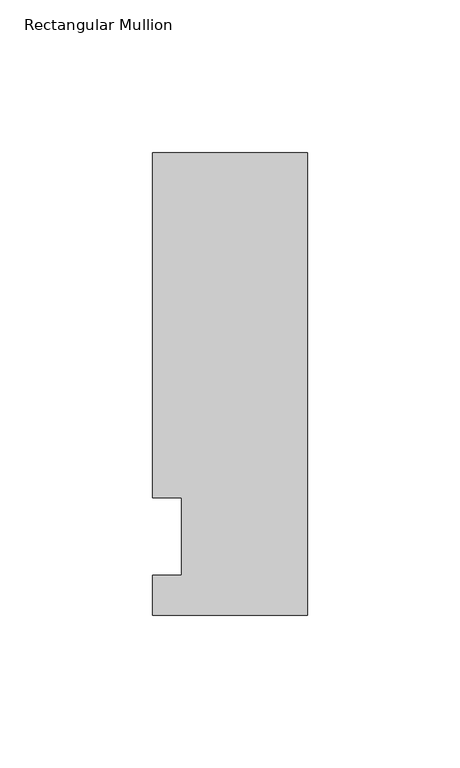
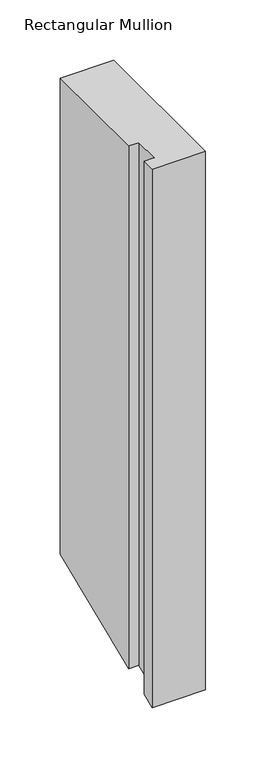
"""IFC4 building model written with IfcOpenShell, lengths in millimetres: member geometry, Rectangular Mullion."""

from ifc_helpers import new_model, si_unit, origin, place, context, project, spatial, faceted_brep, source, transform, mapped, element, save


def rectangular_mullion_c63f2144(model_context):
    return source(origin(), model_context, "Body", "Brep", [
        faceted_brep([(-50.8, -25.7961253, 0.0), (0.0, -25.7961253, 0.0), (0.0, 125.8036906, 0.0), (-50.8, 125.8036906, 0.0), (-50.8, 12.7, 0.0), (-41.275, 12.7, 0.0), (-41.275, -12.7, 0.0), (-50.8, -12.7, 0.0), (-50.8, -25.7961253, -544.085105), (0.0, -25.7961253, -544.085105), (0.0, 125.8036906, -481.2904052), (-50.8, 125.8036906, -481.2904052), (-50.8, 12.7, -528.1394878), (-41.275, 12.7, -528.1394878), (-41.275, -12.7, -538.6605122), (-50.8, -12.7, -538.6605122)], [[[0, 1, 2, 3, 4, 5, 6, 7]], [[1, 0, 8, 9]], [[2, 1, 9, 10]], [[3, 2, 10, 11]], [[4, 3, 11, 12]], [[5, 4, 12, 13]], [[6, 5, 13, 14]], [[7, 6, 14, 15]], [[0, 7, 15, 8]], [[8, 15, 14, 13, 12, 11, 10, 9]]]),
    ])


if __name__ == "__main__":
    model = new_model("IFC4")
    model_context = context("Model", 3, world=origin())
    ifc_project = project(units=[si_unit("LENGTHUNIT", "METRE", prefix="MILLI")], contexts=[model_context])
    site = spatial("IfcSite", under=ifc_project)
    building = spatial("IfcBuilding", under=site)
    placement = place(None, origin())
    rectangular_mullion_shape = rectangular_mullion_c63f2144(model_context)
    element("IfcMember", 1, ObjectType="Rectangular Mullion", at=placement, inside=building, context=model_context, shape_type="MappedRepresentation", body=[
        mapped(rectangular_mullion_shape, transform((0.0, 0.0, 0.0), x_axis=(1.0, 0.0, 0.0), y_axis=(0.0, 1.0, 0.0), z_axis=(0.0, 0.0, 1.0))),
    ])
    save(model, "model.ifc")
